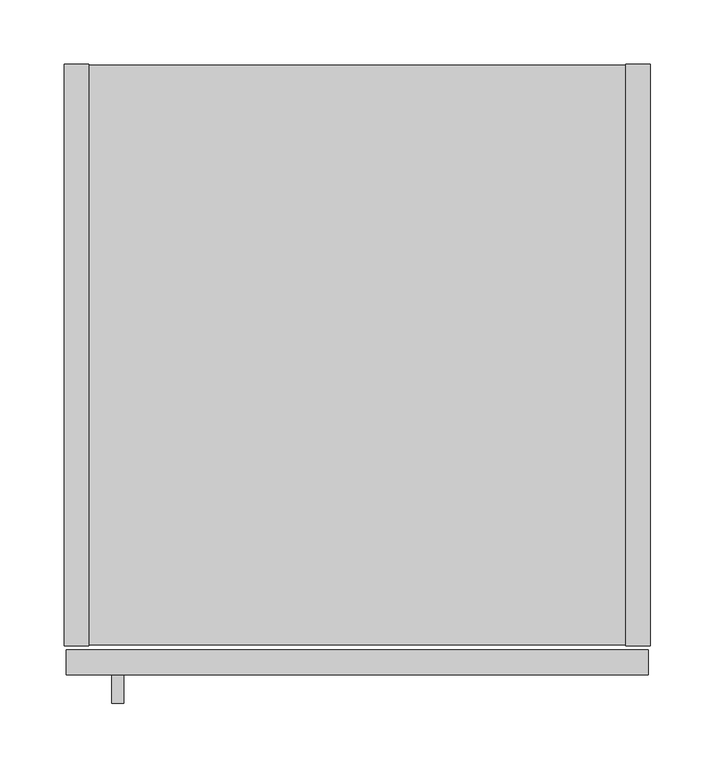
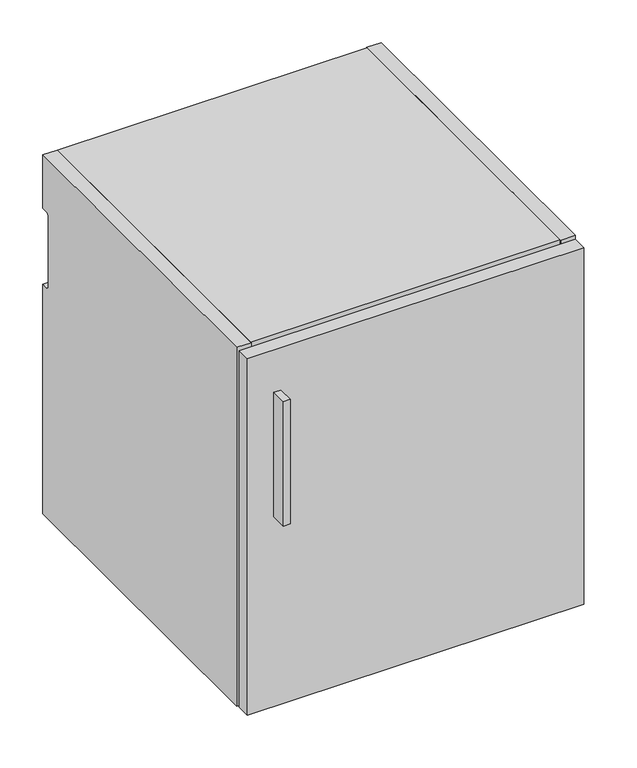
"""IFC4 building model written with IfcOpenShell, lengths in millimetres: furniture geometry."""

from ifc_helpers import new_model, si_unit, point, frame, frame_2d, origin, place, context, project, spatial, polyline, circle_curve, trimmed, segment, composite_curve, outline, extrude, source, transform, mapped, element, save


def furniture_8584be92(model_context):
    return source(origin(), model_context, "Body", "SweptSolid", [
        extrude(outline(polyline([(46.6713631, -498.729), (37.1463631, -498.729), (37.1463631, -476.504), (46.6713631, -476.504), (46.6713631, -498.729)])), frame((0.0, 0.0, 596.9), z_axis=(0.0, 0.0, 1.0), x_axis=(1.0, 0.0, 0.0)), (0.0, 0.0, 1.0), 177.8),
        extrude(outline(polyline([(455.6125, -476.504), (1.5875, -476.504), (1.5875, -457.2), (455.6125, -457.2), (455.6125, -476.504)])), frame((0.0, 0.0, 325.628), z_axis=(0.0, 0.0, 1.0), x_axis=(1.0, 0.0, 0.0)), (0.0, 0.0, 1.0), 509.397),
        extrude(outline(polyline([(457.2, 0.0), (457.2, -454.025), (437.896, -454.025), (437.896, 0.0), (457.2, 0.0)])), frame((0.0, 0.0, 325.628), z_axis=(0.0, 0.0, 1.0), x_axis=(1.0, 0.0, 0.0)), (0.0, 0.0, 1.0), 512.572),
        extrude(outline(polyline([(437.896, -0.9906), (437.896, -453.0344), (19.304, -453.0344), (19.304, -0.9906), (437.896, -0.9906)])), frame((0.0, 0.0, 326.6186), z_axis=(0.0, 0.0, 1.0), x_axis=(1.0, 0.0, 0.0)), (0.0, 0.0, 1.0), 19.304),
        extrude(outline(composite_curve([segment(polyline([(-32.004, 818.896), (-11.938, 818.896), (-11.938, 760.2988429)]), True, "CONTINUOUS"), segment(trimmed(circle_curve(frame_2d((-9.3963729, 758.1883729)), 3.3036271), [point((-11.938, 760.2988429))], [point((-12.7, 758.1883729))], True, "CARTESIAN"), True, "CONTINUOUS"), segment(polyline([(-12.7, 758.1883729), (-12.7, 656.844)]), True, "CONTINUOUS"), segment(trimmed(circle_curve(frame_2d((-9.398, 656.844)), 3.302), [point((-12.7, 656.844))], [point((-11.938, 654.7341175))], True, "CARTESIAN"), True, "CONTINUOUS"), segment(polyline([(-11.938, 654.7341175), (-11.938, 345.9226), (-32.004, 345.9226), (-32.004, 818.896)]), True, "CONTINUOUS")], self_intersect=False)), frame((19.304, 0.0, 0.0), z_axis=(1.0, 0.0, 0.0), x_axis=(0.0, 1.0, 0.0)), (0.0, 0.0, 1.0), 418.592),
        extrude(outline(composite_curve([segment(polyline([(-454.025, 838.2), (0.0, 838.2), (0.0, 761.492), (-9.3963729, 761.492)]), True, "CONTINUOUS"), segment(trimmed(circle_curve(frame_2d((-9.3963729, 758.1883729)), 3.3036271), [point((-9.3963729, 761.492))], [point((-12.7, 758.1883729))], True, "CARTESIAN"), True, "CONTINUOUS"), segment(polyline([(-12.7, 758.1883729), (-12.7, 656.844)]), True, "CONTINUOUS"), segment(trimmed(circle_curve(frame_2d((-9.398, 656.844)), 3.302), [point((-12.7, 656.844))], [point((-9.398, 653.542))], True, "CARTESIAN"), True, "CONTINUOUS"), segment(polyline([(-9.398, 653.542), (0.0, 653.542), (0.0, 325.628), (-454.025, 325.628), (-454.025, 838.2)]), True, "CONTINUOUS")], self_intersect=False)), frame((0.0, 0.0, 0.0), z_axis=(1.0, 0.0, 0.0), x_axis=(0.0, 1.0, 0.0)), (0.0, 0.0, 1.0), 19.304),
        extrude(outline(polyline([(437.896, -453.0344), (19.304, -453.0344), (19.304, -0.9906), (437.896, -0.9906), (437.896, -453.0344)])), frame((0.0, 0.0, 818.896), z_axis=(0.0, 0.0, 1.0), x_axis=(1.0, 0.0, 0.0)), (0.0, 0.0, 1.0), 19.304),
    ])


if __name__ == "__main__":
    model = new_model("IFC4")
    model_context = context("Model", 3, world=origin())
    ifc_project = project(units=[si_unit("LENGTHUNIT", "METRE", prefix="MILLI")], contexts=[model_context])
    site = spatial("IfcSite", under=ifc_project)
    building = spatial("IfcBuilding", under=site)
    placement = place(None, origin())
    furniture_shape = furniture_8584be92(model_context)
    element("IfcFurniture", 1, at=placement, inside=building, context=model_context, shape_type="MappedRepresentation", body=[
        mapped(furniture_shape, transform((0.0, 0.0, 0.0), x_axis=(1.0, 0.0, 0.0), y_axis=(0.0, 1.0, 0.0), z_axis=(0.0, 0.0, 1.0))),
    ])
    save(model, "model.ifc")
